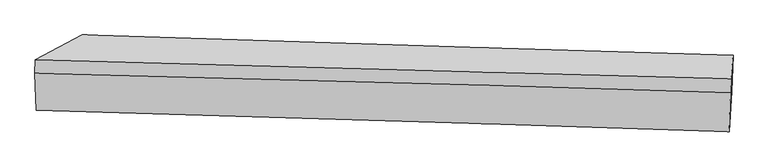
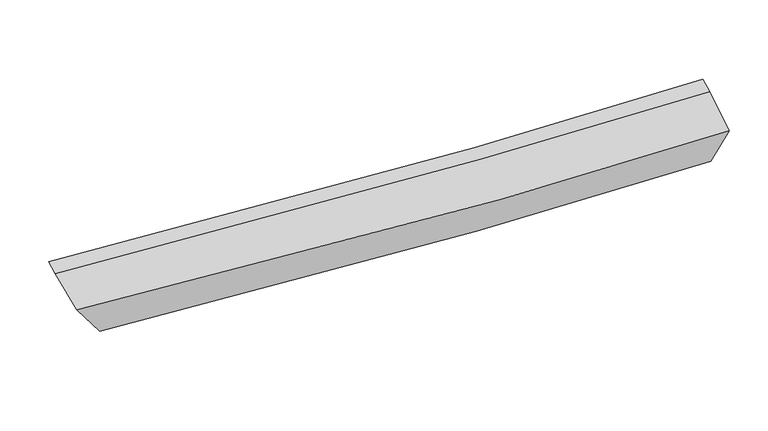
"""IFC4 building model written with IfcOpenShell, lengths in millimetres: proxy geometry."""

from ifc_helpers import new_model, si_unit, frame, origin, place, context, project, spatial, source, transform, mapped, element, save
from ifc_brep_helpers import plane_surface, spline_curve, spline_surface, advanced_brep


def generic_models_26e6a250(model_context):
    return source(origin(), model_context, "Body", "AdvancedBrep", [
        advanced_brep(
        [(-3056.1300904, -1949.4756955, 2719.2665607), (-3075.5965033, -1580.4307502, 2917.70393), (3604.8395601, -1786.9137481, 2758.7227634), (3592.0976209, -2164.9154629, 2515.554286), (-3544.1231286, -2352.0681059, 3387.235232), (3564.1203675, -2575.8055679, 3130.3604302), (-3559.7149975, -1972.3484795, 3583.7050491), (3578.525019, -2172.5609325, 3339.2473487), (-3554.5154682, -1835.2893132, 3635.8151595), (3584.0178568, -2027.7701788, 3394.2970206)],
        [
            (0, 1),
            (1, 2, spline_curve(3, [(-3075.5965033, -1580.4307502, 2917.70393), (-1767.081118339, -1625.019029758, 2842.932429042), (-387.334764105, -1669.166097587, 2794.292748735), (1887.731117235, -1737.694873809, 2759.001455914), (2734.796784573, -1762.375472377, 2754.647414414), (3604.8395601, -1786.9137481, 2758.7227634)], [4, 2, 4], [0.0, 13.95929460756024, 21.887533593150245])),
            (2, 3),
            (3, 0, spline_curve(3, [(3592.0976209, -2164.9154629, 2515.554286), (2716.910590594, -2136.007350096, 2510.311357151), (1867.972715489, -2108.148051639, 2515.877104418), (-403.228622665, -2034.132197693, 2561.082066664), (-1770.36665122, -1990.178240684, 2623.420411152), (-3056.1300904, -1949.4756955, 2719.2665607)], [4, 2, 4], [0.0, 7.928238985590005, 21.887533593150245])),
            (4, 0),
            (3, 5),
            (5, 4, spline_curve(3, [(3564.1203675, -2575.8055679, 3130.3604302), (2744.673880167, -2548.255652528, 3121.133384357), (1911.166633766, -2520.899669042, 3126.483280089), (-428.719087691, -2445.913241833, 3181.495410182), (-1964.6263399, -2398.690071493, 3261.770448772), (-3544.1231286, -2352.0681059, 3387.235232)], [4, 2, 4], [0.0, 8.185031815145782, 22.596462990157303])),
            (6, 4),
            (5, 7),
            (7, 6, spline_curve(3, [(3578.525019, -2172.5609325, 3339.2473487), (2763.230452758, -2147.179006799, 3340.608146483), (1931.05926625, -2122.234598767, 3352.16761726), (-412.911750314, -2054.578290378, 3412.235446055), (-1960.153902277, -2012.785213836, 3482.161875462), (-3559.7149975, -1972.3484795, 3583.7050491)], [4, 2, 4], [0.0, 8.47581521048616, 23.3992303317335])),
            (8, 6),
            (7, 9),
            (9, 8, spline_curve(3, [(3584.0178568, -2027.7701788, 3394.2970206), (2768.558189013, -2006.740315774, 3394.003157452), (1936.268876987, -1984.90968749, 3404.378764287), (-407.898562501, -1922.431072963, 3462.478025792), (-1955.120358651, -1880.101413015, 3532.608465341), (-3554.5154682, -1835.2893132, 3635.8151595)], [4, 2, 4], [0.0, 8.492475505831013, 23.445224502027184])),
            (1, 8),
            (9, 2),
        ],
        [
            spline_surface(3, 3, [[(-3056.1300904, -1949.4756955, 2719.2665607), (-1770.366651286, -1990.178240487, 2623.420410928), (-403.228622634, -2034.132197762, 2561.08206667), (1867.972715471, -2108.1480516, 2515.877104415), (2716.91059062, -2136.007350123, 2510.311357142), (3592.0976209, -2164.9154629, 2515.554286)], [(-3062.618894692, -1826.460713732, 2785.412350444), (-1769.271473601, -1868.458503608, 2696.591083666), (-397.93066988, -1912.476831002, 2638.818960629), (1874.558849413, -1984.663659056, 2596.91855491), (2722.872655283, -2011.463390846, 2591.756709547), (3596.34493398, -2038.914891288, 2596.610445139)], [(-3069.107699008, -1703.445731968, 2851.558140256), (-1768.176295939, -1746.738766734, 2769.761756472), (-392.632717068, -1790.821464178, 2716.555854666), (1881.144983411, -1861.179266449, 2677.960005482), (2728.834719907, -1886.919431605, 2673.202061934), (3600.59224702, -1912.914319712, 2677.666604261)], [(-3075.5965033, -1580.4307502, 2917.70393), (-1767.081118253, -1625.019029855, 2842.93242921), (-387.334764313, -1669.166097417, 2794.292748625), (1887.731117353, -1737.694873905, 2759.001455977), (2734.79678457, -1762.375472328, 2754.647414339), (3604.8395601, -1786.9137481, 2758.7227634)]], [4, 4], [4, 2, 4], [0.0, 1.4288042621762231], [0.0, 13.95929460756024, 21.887533593150245]),
            spline_surface(3, 3, [[(-3544.1231286, -2352.0681059, 3387.235232), (-1964.626339885, -2398.690071292, 3261.770448717), (-428.719087649, -2445.913241781, 3181.495410398), (1911.166633742, -2520.899669072, 3126.483279966), (2744.673880181, -2548.255652556, 3121.133384375), (3564.1203675, -2575.8055679, 3130.3604302)], [(-3381.45878253, -2217.870635783, 3164.579008246), (-1899.873110349, -2262.51946104, 3048.9871028), (-420.222265949, -2308.652893749, 2974.690962488), (1896.768661013, -2383.315796555, 2922.947888115), (2735.419450301, -2410.839551749, 2917.526041971), (3573.446118607, -2438.842199571, 2925.425048807)], [(-3218.79443647, -2083.673165617, 2941.922784454), (-1835.119880822, -2126.348850739, 2836.203756845), (-411.725444334, -2171.392545795, 2767.88651458), (1882.3706882, -2245.731924117, 2719.412496266), (2726.1650205, -2273.42345093, 2713.918699546), (3582.771869793, -2301.878831229, 2720.489667393)], [(-3056.1300904, -1949.4756955, 2719.2665607), (-1770.366651286, -1990.178240487, 2623.420410928), (-403.228622634, -2034.132197762, 2561.08206667), (1867.972715471, -2108.1480516, 2515.877104415), (2716.91059062, -2136.007350123, 2510.311357142), (3592.0976209, -2164.9154629, 2515.554286)]], [4, 4], [4, 2, 4], [0.0, 2.442867912652772], [0.0, 14.41143117501152, 22.596462990157303]),
            spline_surface(3, 3, [[(-3559.7149975, -1972.3484795, 3583.7050491), (-1960.153902524, -2012.78521397, 3482.161875453), (-412.911750235, -2054.578290345, 3412.235446092), (1931.059266205, -2122.234598786, 3352.167617239), (2763.230452702, -2147.179006777, 3340.608146506), (3578.525019, -2172.5609325, 3339.2473487)], [(-3554.517707849, -2098.921688279, 3518.215110058), (-1961.64471496, -2141.42016639, 3408.698066533), (-418.180862711, -2185.023274163, 3335.322100864), (1924.428388712, -2255.122955553, 3276.939504818), (2757.044928536, -2280.871222046, 3267.449892462), (3573.723468507, -2306.975810976, 3269.618375866)], [(-3549.320418251, -2225.494897121, 3452.725171042), (-1963.135527449, -2270.055118872, 3335.234257637), (-423.449975172, -2315.468257964, 3258.408755626), (1917.797511235, -2388.011312304, 3201.711392387), (2750.859404348, -2414.563437287, 3194.291638419), (3568.921917993, -2441.390689424, 3199.989403034)], [(-3544.1231286, -2352.0681059, 3387.235232), (-1964.626339885, -2398.690071292, 3261.770448717), (-428.719087649, -2445.913241781, 3181.495410398), (1911.166633742, -2520.899669072, 3126.483279966), (2744.673880181, -2548.255652556, 3121.133384375), (3564.1203675, -2575.8055679, 3130.3604302)]], [4, 4], [4, 2, 4], [0.0, 1.4906726076858503], [0.0, 14.923415121247338, 23.3992303317335]),
            spline_surface(3, 3, [[(-3554.5154682, -1835.2893132, 3635.8151595), (-1955.120358766, -1880.101412899, 3532.608465121), (-407.898562471, -1922.431073128, 3462.478025723), (1936.26887697, -1984.909687396, 3404.378764326), (2768.558188978, -2006.740315686, 3394.003157367), (3584.0178568, -2027.7701788, 3394.2970206)], [(-3556.248644649, -1880.975701981, 3618.445122727), (-1956.798206701, -1924.329346604, 3515.792935259), (-409.569625055, -1966.480145542, 3445.730499204), (1934.532340051, -2030.684657868, 3386.975048655), (2766.782276878, -2053.553212707, 3376.204820391), (3582.186910859, -2076.033763358, 3375.947129945)], [(-3557.981821051, -1926.662090719, 3601.075085873), (-1958.476054589, -1968.557280265, 3498.977405316), (-411.24068765, -2010.529217931, 3428.982972611), (1932.795803123, -2076.459628314, 3369.57133291), (2765.006364802, -2100.366109756, 3358.406483482), (3580.355964941, -2124.297347942, 3357.597239355)], [(-3559.7149975, -1972.3484795, 3583.7050491), (-1960.153902524, -2012.78521397, 3482.161875453), (-412.911750235, -2054.578290345, 3412.235446092), (1931.059266205, -2122.234598786, 3352.167617239), (2763.230452702, -2147.179006777, 3340.608146506), (3578.525019, -2172.5609325, 3339.2473487)]], [4, 4], [4, 2, 4], [0.0, 0.4700930690273963], [0.0, 14.95274899619617, 23.445224502027184]),
            spline_surface(3, 3, [[(-3075.5965033, -1580.4307502, 2917.70393), (-1767.081118253, -1625.019029855, 2842.93242921), (-387.334764313, -1669.166097417, 2794.292748625), (1887.731117353, -1737.694873905, 2759.001455977), (2734.79678457, -1762.375472328, 2754.647414339), (3604.8395601, -1786.9137481, 2758.7227634)], [(-3235.23615828, -1665.383604524, 3157.074339825), (-1829.760865104, -1710.04649086, 3072.824441172), (-394.189363707, -1753.587755979, 3017.021174323), (1903.910370551, -1820.099811727, 2974.127225425), (2746.050586053, -1843.830420122, 2967.765995358), (3597.898992347, -1867.199225008, 2970.580849143)], [(-3394.87581322, -1750.336458876, 3396.444749675), (-1892.440611915, -1795.073951893, 3302.716453159), (-401.043963077, -1838.009414567, 3239.749600024), (1920.089623772, -1902.504749575, 3189.252994877), (2757.304387495, -1925.285367892, 3180.884576348), (3590.958424553, -1947.484701892, 3182.438934857)], [(-3554.5154682, -1835.2893132, 3635.8151595), (-1955.120358766, -1880.101412899, 3532.608465121), (-407.898562471, -1922.431073128, 3462.478025723), (1936.26887697, -1984.909687396, 3404.378764326), (2768.558188978, -2006.740315686, 3394.003157367), (3584.0178568, -2027.7701788, 3394.2970206)]], [4, 4], [4, 2, 4], [0.0, 2.330917444690407], [0.0, 14.471843098547183, 22.691186114998978]),
            plane_surface(frame((3584.7200849, -2145.593178, 3027.6363698), z_axis=(0.998902687109712, -0.04399747868930773, 0.016051278889271502), x_axis=(-0.03170282530041997, -0.88749070045197, -0.4597338224225437))),
            plane_surface(frame((-3358.0160376, -1937.9224689, 3248.7451863), z_axis=(-0.8459193292189475, 0.2172673866728249, -0.4870476066485977), x_axis=(0.046407767295487505, -0.87980009735434, -0.47307304703390346))),
        ],
        [
            (0, [[1, 2, 3, 4]]),
            (1, [[5, -4, 6, 7]]),
            (2, [[8, -7, 9, 10]]),
            (3, [[11, -10, 12, 13]]),
            (4, [[14, -13, 15, -2]]),
            (5, [[-9, -6, -3, -15, -12]]),
            (6, [[-1, -5, -8, -11, -14]]),
        ],
    ),
    ])


if __name__ == "__main__":
    model = new_model("IFC4")
    model_context = context("Model", 3, world=origin())
    ifc_project = project(units=[si_unit("LENGTHUNIT", "METRE", prefix="MILLI")], contexts=[model_context])
    site = spatial("IfcSite", under=ifc_project)
    building = spatial("IfcBuilding", under=site)
    placement = place(None, origin())
    generic_models_shape = generic_models_26e6a250(model_context)
    element("IfcBuildingElementProxy", 1, Name="Generic Models", at=placement, inside=building, context=model_context, shape_type="MappedRepresentation", body=[
        mapped(generic_models_shape, transform((0.0, 0.0, 0.0), x_axis=(1.0, 0.0, 0.0), y_axis=(0.0, 1.0, 0.0), z_axis=(0.0, 0.0, 1.0))),
    ])
    save(model, "model.ifc")
